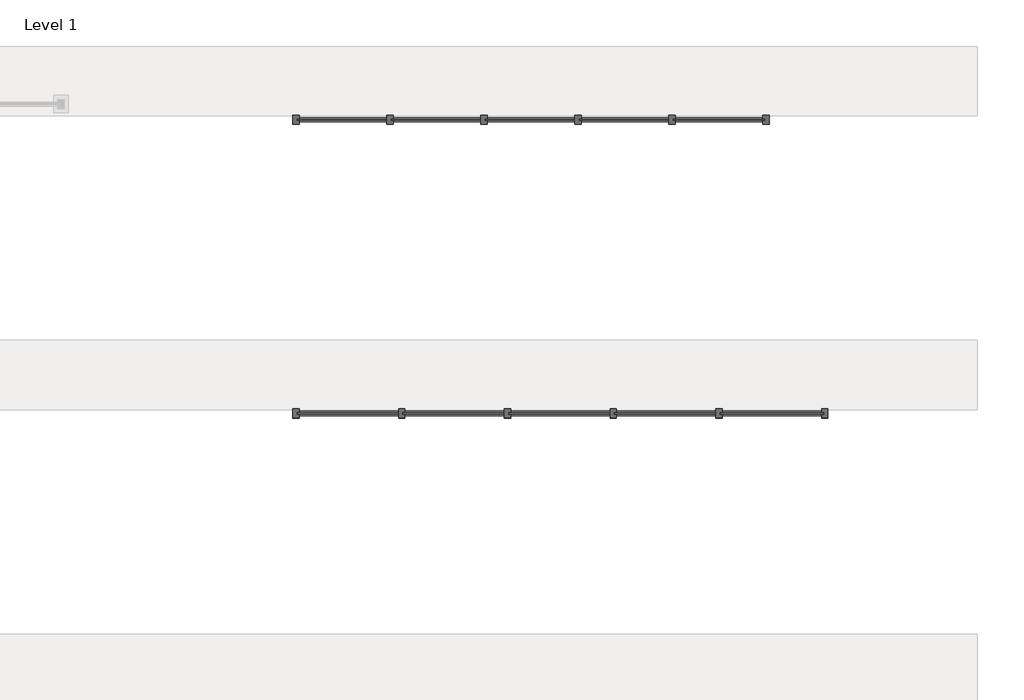
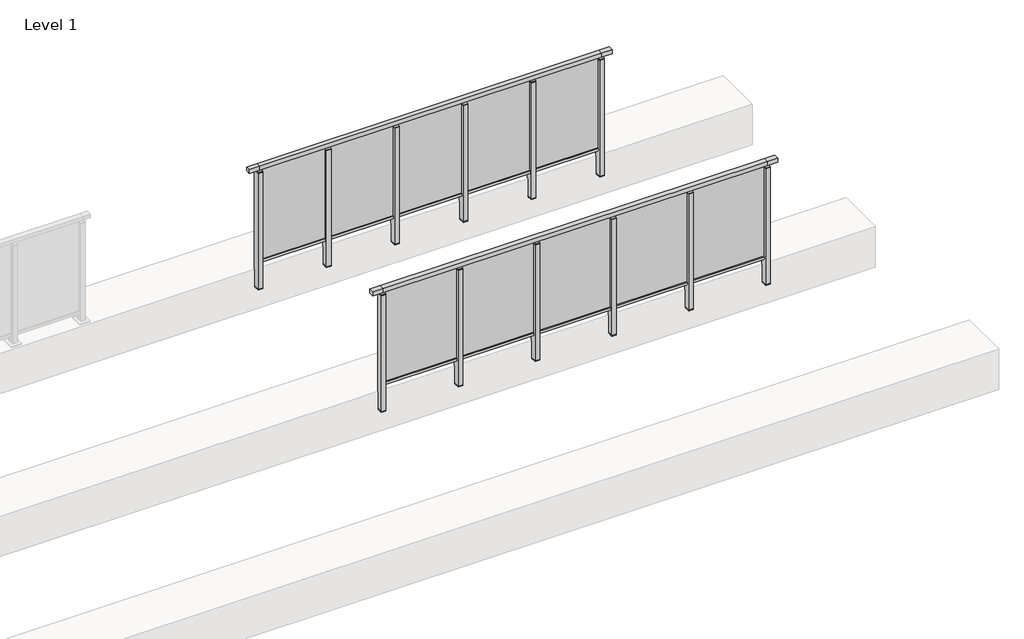
# One storey, part 38 of 38: 2 railings.
"""IFC4 building model written with IfcOpenShell, lengths in millimetres."""

from ifc_helpers import new_model, si_unit, frame, origin, place, context, project, spatial, polyline, outline, extrude, faceted_brep, element, save

model = new_model("IFC4")

# Units and contexts
model_context = context("Model", 3, world=origin())
ifc_project = project(units=[si_unit("LENGTHUNIT", "METRE", prefix="MILLI")], contexts=[model_context])

# Site, building, storey
site = spatial("IfcSite", under=ifc_project)
building = spatial("IfcBuilding", under=site)
storey = spatial("IfcBuildingStorey", under=building, Name="Level 1", Elevation=0.0)

# Railings
placement = place(None, origin())
element("IfcRailing", 1, at=placement, inside=storey, context=model_context, shape_type="SolidModel", body=[
    faceted_brep([(41476.1884576, 64897.6846828, 1252.5), (41476.1884576, 64897.6846828, 1300.0), (45976.1884576, 64897.6846828, 1300.0), (45976.1884576, 64897.6846828, 1252.5), (41476.1884576, 64837.6846828, 1252.5), (45976.1884576, 64837.6846828, 1252.5), (41476.1884576, 64837.6846828, 1300.0), (45976.1884576, 64837.6846828, 1300.0), (41353.1884576, 64897.6846828, 1300.0), (41353.1884576, 64897.6846828, 1252.5), (41353.1884576, 64837.6846828, 1252.5), (41353.1884576, 64837.6846828, 1300.0), (46099.1884576, 64897.6846828, 1300.0), (46099.1884576, 64837.6846828, 1300.0), (46099.1884576, 64837.6846828, 1252.5), (46099.1884576, 64897.6846828, 1252.5)], [[[0, 1, 2, 3]], [[4, 0, 3, 5]], [[6, 4, 5, 7]], [[1, 6, 7, 2]], [[8, 9, 10, 11]], [[9, 8, 1, 0]], [[10, 9, 0, 4]], [[11, 10, 4, 6]], [[8, 11, 6, 1]], [[12, 13, 14, 15]], [[3, 2, 12, 15]], [[5, 3, 15, 14]], [[7, 5, 14, 13]], [[2, 7, 13, 12]]]),
    extrude(outline(polyline([(41476.1884576, 64849.6846828), (41476.1884576, 64885.6846828), (45976.1884576, 64885.6846828), (45976.1884576, 64849.6846828), (41476.1884576, 64849.6846828)])), frame((0.0, 0.0, 93.0), z_axis=(0.0, 0.0, 1.0), x_axis=(1.0, 0.0, 0.0)), (0.0, 0.0, 1.0), 32.0),
    extrude(outline(polyline([(45086.1884576, 64861.9094929), (45086.1884576, 64871.9094929), (45966.1884576, 64871.9094929), (45966.1884576, 64861.9094929), (45086.1884576, 64861.9094929)])), frame((0.0, 0.0, 125.0), z_axis=(0.0, 0.0, 1.0), x_axis=(1.0, 0.0, 0.0)), (0.0, 0.0, 1.0), 1130.0),
    extrude(outline(polyline([(45103.1884576, 64906.6846828), (45103.1884576, 64828.6846828), (45049.1884576, 64828.6846828), (45049.1884576, 64906.6846828), (45103.1884576, 64906.6846828)])), frame((0.0, 0.0, 1227.0), z_axis=(0.0, 0.0, 1.0), x_axis=(1.0, 0.0, 0.0)), (0.0, 0.0, 1.0), 8.0),
    extrude(outline(polyline([(45086.1884576, 64877.6846828), (45086.1884576, 64857.6846828), (45066.1884576, 64857.6846828), (45066.1884576, 64877.6846828), (45086.1884576, 64877.6846828)])), frame((0.0, 0.0, 1235.0), z_axis=(0.0, 0.0, 1.0), x_axis=(1.0, 0.0, 0.0)), (0.0, 0.0, 1.0), 20.0),
    extrude(outline(polyline([(45103.1884576, 64906.6846828), (45103.1884576, 64828.6846828), (45049.1884576, 64828.6846828), (45049.1884576, 64906.6846828), (45103.1884576, 64906.6846828)])), frame((0.0, 0.0, -220.0), z_axis=(0.0, 0.0, 1.0), x_axis=(1.0, 0.0, 0.0)), (0.0, 0.0, 1.0), 8.0),
    extrude(outline(polyline([(45103.1884576, 64906.6846828), (45103.1884576, 64828.6846828), (45049.1884576, 64828.6846828), (45049.1884576, 64906.6846828), (45103.1884576, 64906.6846828)])), frame((0.0, 0.0, -212.0), z_axis=(0.0, 0.0, 1.0), x_axis=(1.0, 0.0, 0.0)), (0.0, 0.0, 1.0), 1439.0),
    extrude(outline(polyline([(44186.1884576, 64861.9094929), (44186.1884576, 64871.9094929), (45066.1884576, 64871.9094929), (45066.1884576, 64861.9094929), (44186.1884576, 64861.9094929)])), frame((0.0, 0.0, 125.0), z_axis=(0.0, 0.0, 1.0), x_axis=(1.0, 0.0, 0.0)), (0.0, 0.0, 1.0), 1130.0),
    extrude(outline(polyline([(44203.1884576, 64906.6846828), (44203.1884576, 64828.6846828), (44149.1884576, 64828.6846828), (44149.1884576, 64906.6846828), (44203.1884576, 64906.6846828)])), frame((0.0, 0.0, 1227.0), z_axis=(0.0, 0.0, 1.0), x_axis=(1.0, 0.0, 0.0)), (0.0, 0.0, 1.0), 8.0),
    extrude(outline(polyline([(44186.1884576, 64877.6846828), (44186.1884576, 64857.6846828), (44166.1884576, 64857.6846828), (44166.1884576, 64877.6846828), (44186.1884576, 64877.6846828)])), frame((0.0, 0.0, 1235.0), z_axis=(0.0, 0.0, 1.0), x_axis=(1.0, 0.0, 0.0)), (0.0, 0.0, 1.0), 20.0),
    extrude(outline(polyline([(44203.1884576, 64906.6846828), (44203.1884576, 64828.6846828), (44149.1884576, 64828.6846828), (44149.1884576, 64906.6846828), (44203.1884576, 64906.6846828)])), frame((0.0, 0.0, -220.0), z_axis=(0.0, 0.0, 1.0), x_axis=(1.0, 0.0, 0.0)), (0.0, 0.0, 1.0), 8.0),
    extrude(outline(polyline([(44203.1884576, 64906.6846828), (44203.1884576, 64828.6846828), (44149.1884576, 64828.6846828), (44149.1884576, 64906.6846828), (44203.1884576, 64906.6846828)])), frame((0.0, 0.0, -212.0), z_axis=(0.0, 0.0, 1.0), x_axis=(1.0, 0.0, 0.0)), (0.0, 0.0, 1.0), 1439.0),
    extrude(outline(polyline([(43286.1884576, 64861.9094929), (43286.1884576, 64871.9094929), (44166.1884576, 64871.9094929), (44166.1884576, 64861.9094929), (43286.1884576, 64861.9094929)])), frame((0.0, 0.0, 125.0), z_axis=(0.0, 0.0, 1.0), x_axis=(1.0, 0.0, 0.0)), (0.0, 0.0, 1.0), 1130.0),
    extrude(outline(polyline([(43303.1884576, 64906.6846828), (43303.1884576, 64828.6846828), (43249.1884576, 64828.6846828), (43249.1884576, 64906.6846828), (43303.1884576, 64906.6846828)])), frame((0.0, 0.0, 1227.0), z_axis=(0.0, 0.0, 1.0), x_axis=(1.0, 0.0, 0.0)), (0.0, 0.0, 1.0), 8.0),
    extrude(outline(polyline([(43286.1884576, 64877.6846828), (43286.1884576, 64857.6846828), (43266.1884576, 64857.6846828), (43266.1884576, 64877.6846828), (43286.1884576, 64877.6846828)])), frame((0.0, 0.0, 1235.0), z_axis=(0.0, 0.0, 1.0), x_axis=(1.0, 0.0, 0.0)), (0.0, 0.0, 1.0), 20.0),
    extrude(outline(polyline([(43303.1884576, 64906.6846828), (43303.1884576, 64828.6846828), (43249.1884576, 64828.6846828), (43249.1884576, 64906.6846828), (43303.1884576, 64906.6846828)])), frame((0.0, 0.0, -220.0), z_axis=(0.0, 0.0, 1.0), x_axis=(1.0, 0.0, 0.0)), (0.0, 0.0, 1.0), 8.0),
    extrude(outline(polyline([(43303.1884576, 64906.6846828), (43303.1884576, 64828.6846828), (43249.1884576, 64828.6846828), (43249.1884576, 64906.6846828), (43303.1884576, 64906.6846828)])), frame((0.0, 0.0, -212.0), z_axis=(0.0, 0.0, 1.0), x_axis=(1.0, 0.0, 0.0)), (0.0, 0.0, 1.0), 1439.0),
    extrude(outline(polyline([(42386.1884576, 64861.9094929), (42386.1884576, 64871.9094929), (43266.1884576, 64871.9094929), (43266.1884576, 64861.9094929), (42386.1884576, 64861.9094929)])), frame((0.0, 0.0, 125.0), z_axis=(0.0, 0.0, 1.0), x_axis=(1.0, 0.0, 0.0)), (0.0, 0.0, 1.0), 1130.0),
    extrude(outline(polyline([(42403.1884576, 64906.6846828), (42403.1884576, 64828.6846828), (42349.1884576, 64828.6846828), (42349.1884576, 64906.6846828), (42403.1884576, 64906.6846828)])), frame((0.0, 0.0, 1227.0), z_axis=(0.0, 0.0, 1.0), x_axis=(1.0, 0.0, 0.0)), (0.0, 0.0, 1.0), 8.0),
    extrude(outline(polyline([(42386.1884576, 64877.6846828), (42386.1884576, 64857.6846828), (42366.1884576, 64857.6846828), (42366.1884576, 64877.6846828), (42386.1884576, 64877.6846828)])), frame((0.0, 0.0, 1235.0), z_axis=(0.0, 0.0, 1.0), x_axis=(1.0, 0.0, 0.0)), (0.0, 0.0, 1.0), 20.0),
    extrude(outline(polyline([(42403.1884576, 64906.6846828), (42403.1884576, 64828.6846828), (42349.1884576, 64828.6846828), (42349.1884576, 64906.6846828), (42403.1884576, 64906.6846828)])), frame((0.0, 0.0, -220.0), z_axis=(0.0, 0.0, 1.0), x_axis=(1.0, 0.0, 0.0)), (0.0, 0.0, 1.0), 8.0),
    extrude(outline(polyline([(42403.1884576, 64906.6846828), (42403.1884576, 64828.6846828), (42349.1884576, 64828.6846828), (42349.1884576, 64906.6846828), (42403.1884576, 64906.6846828)])), frame((0.0, 0.0, -212.0), z_axis=(0.0, 0.0, 1.0), x_axis=(1.0, 0.0, 0.0)), (0.0, 0.0, 1.0), 1439.0),
    extrude(outline(polyline([(41486.1884576, 64861.9094929), (41486.1884576, 64871.9094929), (42366.1884576, 64871.9094929), (42366.1884576, 64861.9094929), (41486.1884576, 64861.9094929)])), frame((0.0, 0.0, 125.0), z_axis=(0.0, 0.0, 1.0), x_axis=(1.0, 0.0, 0.0)), (0.0, 0.0, 1.0), 1130.0),
    extrude(outline(polyline([(46003.1884576, 64906.6846828), (46003.1884576, 64828.6846828), (45949.1884576, 64828.6846828), (45949.1884576, 64906.6846828), (46003.1884576, 64906.6846828)])), frame((0.0, 0.0, 1227.0), z_axis=(0.0, 0.0, 1.0), x_axis=(1.0, 0.0, 0.0)), (0.0, 0.0, 1.0), 8.0),
    extrude(outline(polyline([(45986.1884576, 64877.6846828), (45986.1884576, 64857.6846828), (45966.1884576, 64857.6846828), (45966.1884576, 64877.6846828), (45986.1884576, 64877.6846828)])), frame((0.0, 0.0, 1235.0), z_axis=(0.0, 0.0, 1.0), x_axis=(1.0, 0.0, 0.0)), (0.0, 0.0, 1.0), 20.0),
    extrude(outline(polyline([(46003.1884576, 64906.6846828), (46003.1884576, 64828.6846828), (45949.1884576, 64828.6846828), (45949.1884576, 64906.6846828), (46003.1884576, 64906.6846828)])), frame((0.0, 0.0, -220.0), z_axis=(0.0, 0.0, 1.0), x_axis=(1.0, 0.0, 0.0)), (0.0, 0.0, 1.0), 8.0),
    extrude(outline(polyline([(46003.1884576, 64906.6846828), (46003.1884576, 64828.6846828), (45949.1884576, 64828.6846828), (45949.1884576, 64906.6846828), (46003.1884576, 64906.6846828)])), frame((0.0, 0.0, -212.0), z_axis=(0.0, 0.0, 1.0), x_axis=(1.0, 0.0, 0.0)), (0.0, 0.0, 1.0), 1439.0),
    extrude(outline(polyline([(41503.1884576, 64906.6846828), (41503.1884576, 64828.6846828), (41449.1884576, 64828.6846828), (41449.1884576, 64906.6846828), (41503.1884576, 64906.6846828)])), frame((0.0, 0.0, 1227.0), z_axis=(0.0, 0.0, 1.0), x_axis=(1.0, 0.0, 0.0)), (0.0, 0.0, 1.0), 8.0),
    extrude(outline(polyline([(41486.1884576, 64877.6846828), (41486.1884576, 64857.6846828), (41466.1884576, 64857.6846828), (41466.1884576, 64877.6846828), (41486.1884576, 64877.6846828)])), frame((0.0, 0.0, 1235.0), z_axis=(0.0, 0.0, 1.0), x_axis=(1.0, 0.0, 0.0)), (0.0, 0.0, 1.0), 20.0),
    extrude(outline(polyline([(41503.1884576, 64906.6846828), (41503.1884576, 64828.6846828), (41449.1884576, 64828.6846828), (41449.1884576, 64906.6846828), (41503.1884576, 64906.6846828)])), frame((0.0, 0.0, -220.0), z_axis=(0.0, 0.0, 1.0), x_axis=(1.0, 0.0, 0.0)), (0.0, 0.0, 1.0), 8.0),
    extrude(outline(polyline([(41503.1884576, 64906.6846828), (41503.1884576, 64828.6846828), (41449.1884576, 64828.6846828), (41449.1884576, 64906.6846828), (41503.1884576, 64906.6846828)])), frame((0.0, 0.0, -212.0), z_axis=(0.0, 0.0, 1.0), x_axis=(1.0, 0.0, 0.0)), (0.0, 0.0, 1.0), 1439.0),
])
element("IfcRailing", 2, at=placement, inside=storey, context=model_context, shape_type="SolidModel", body=[
    faceted_brep([(41476.1884576, 67397.6846828, 1252.5), (41476.1884576, 67397.6846828, 1300.0), (45476.1884576, 67397.6846828, 1300.0), (45476.1884576, 67397.6846828, 1252.5), (41476.1884576, 67337.6846828, 1252.5), (45476.1884576, 67337.6846828, 1252.5), (41476.1884576, 67337.6846828, 1300.0), (45476.1884576, 67337.6846828, 1300.0), (41353.1884576, 67397.6846828, 1300.0), (41353.1884576, 67397.6846828, 1252.5), (41353.1884576, 67337.6846828, 1252.5), (41353.1884576, 67337.6846828, 1300.0), (45599.1884576, 67397.6846828, 1300.0), (45599.1884576, 67337.6846828, 1300.0), (45599.1884576, 67337.6846828, 1252.5), (45599.1884576, 67397.6846828, 1252.5)], [[[0, 1, 2, 3]], [[4, 0, 3, 5]], [[6, 4, 5, 7]], [[1, 6, 7, 2]], [[8, 9, 10, 11]], [[9, 8, 1, 0]], [[10, 9, 0, 4]], [[11, 10, 4, 6]], [[8, 11, 6, 1]], [[12, 13, 14, 15]], [[3, 2, 12, 15]], [[5, 3, 15, 14]], [[7, 5, 14, 13]], [[2, 7, 13, 12]]]),
    extrude(outline(polyline([(41476.1884576, 67349.6846828), (41476.1884576, 67385.6846828), (45476.1884576, 67385.6846828), (45476.1884576, 67349.6846828), (41476.1884576, 67349.6846828)])), frame((0.0, 0.0, 93.0), z_axis=(0.0, 0.0, 1.0), x_axis=(1.0, 0.0, 0.0)), (0.0, 0.0, 1.0), 32.0),
    extrude(outline(polyline([(44686.1884576, 67361.9094929), (44686.1884576, 67371.9094929), (45466.1884576, 67371.9094929), (45466.1884576, 67361.9094929), (44686.1884576, 67361.9094929)])), frame((0.0, 0.0, 125.0), z_axis=(0.0, 0.0, 1.0), x_axis=(1.0, 0.0, 0.0)), (0.0, 0.0, 1.0), 1130.0),
    extrude(outline(polyline([(44703.1884576, 67406.6846828), (44703.1884576, 67328.6846828), (44649.1884576, 67328.6846828), (44649.1884576, 67406.6846828), (44703.1884576, 67406.6846828)])), frame((0.0, 0.0, 1227.0), z_axis=(0.0, 0.0, 1.0), x_axis=(1.0, 0.0, 0.0)), (0.0, 0.0, 1.0), 8.0),
    extrude(outline(polyline([(44686.1884576, 67377.6846828), (44686.1884576, 67357.6846828), (44666.1884576, 67357.6846828), (44666.1884576, 67377.6846828), (44686.1884576, 67377.6846828)])), frame((0.0, 0.0, 1235.0), z_axis=(0.0, 0.0, 1.0), x_axis=(1.0, 0.0, 0.0)), (0.0, 0.0, 1.0), 20.0),
    extrude(outline(polyline([(44703.1884576, 67406.6846828), (44703.1884576, 67328.6846828), (44649.1884576, 67328.6846828), (44649.1884576, 67406.6846828), (44703.1884576, 67406.6846828)])), frame((0.0, 0.0, -220.0), z_axis=(0.0, 0.0, 1.0), x_axis=(1.0, 0.0, 0.0)), (0.0, 0.0, 1.0), 8.0),
    extrude(outline(polyline([(44703.1884576, 67406.6846828), (44703.1884576, 67328.6846828), (44649.1884576, 67328.6846828), (44649.1884576, 67406.6846828), (44703.1884576, 67406.6846828)])), frame((0.0, 0.0, -212.0), z_axis=(0.0, 0.0, 1.0), x_axis=(1.0, 0.0, 0.0)), (0.0, 0.0, 1.0), 1439.0),
    extrude(outline(polyline([(43886.1884576, 67361.9094929), (43886.1884576, 67371.9094929), (44666.1884576, 67371.9094929), (44666.1884576, 67361.9094929), (43886.1884576, 67361.9094929)])), frame((0.0, 0.0, 125.0), z_axis=(0.0, 0.0, 1.0), x_axis=(1.0, 0.0, 0.0)), (0.0, 0.0, 1.0), 1130.0),
    extrude(outline(polyline([(43903.1884576, 67406.6846828), (43903.1884576, 67328.6846828), (43849.1884576, 67328.6846828), (43849.1884576, 67406.6846828), (43903.1884576, 67406.6846828)])), frame((0.0, 0.0, 1227.0), z_axis=(0.0, 0.0, 1.0), x_axis=(1.0, 0.0, 0.0)), (0.0, 0.0, 1.0), 8.0),
    extrude(outline(polyline([(43886.1884576, 67377.6846828), (43886.1884576, 67357.6846828), (43866.1884576, 67357.6846828), (43866.1884576, 67377.6846828), (43886.1884576, 67377.6846828)])), frame((0.0, 0.0, 1235.0), z_axis=(0.0, 0.0, 1.0), x_axis=(1.0, 0.0, 0.0)), (0.0, 0.0, 1.0), 20.0),
    extrude(outline(polyline([(43903.1884576, 67406.6846828), (43903.1884576, 67328.6846828), (43849.1884576, 67328.6846828), (43849.1884576, 67406.6846828), (43903.1884576, 67406.6846828)])), frame((0.0, 0.0, -220.0), z_axis=(0.0, 0.0, 1.0), x_axis=(1.0, 0.0, 0.0)), (0.0, 0.0, 1.0), 8.0),
    extrude(outline(polyline([(43903.1884576, 67406.6846828), (43903.1884576, 67328.6846828), (43849.1884576, 67328.6846828), (43849.1884576, 67406.6846828), (43903.1884576, 67406.6846828)])), frame((0.0, 0.0, -212.0), z_axis=(0.0, 0.0, 1.0), x_axis=(1.0, 0.0, 0.0)), (0.0, 0.0, 1.0), 1439.0),
    extrude(outline(polyline([(43086.1884576, 67361.9094929), (43086.1884576, 67371.9094929), (43866.1884576, 67371.9094929), (43866.1884576, 67361.9094929), (43086.1884576, 67361.9094929)])), frame((0.0, 0.0, 125.0), z_axis=(0.0, 0.0, 1.0), x_axis=(1.0, 0.0, 0.0)), (0.0, 0.0, 1.0), 1130.0),
    extrude(outline(polyline([(43103.1884576, 67406.6846828), (43103.1884576, 67328.6846828), (43049.1884576, 67328.6846828), (43049.1884576, 67406.6846828), (43103.1884576, 67406.6846828)])), frame((0.0, 0.0, 1227.0), z_axis=(0.0, 0.0, 1.0), x_axis=(1.0, 0.0, 0.0)), (0.0, 0.0, 1.0), 8.0),
    extrude(outline(polyline([(43086.1884576, 67377.6846828), (43086.1884576, 67357.6846828), (43066.1884576, 67357.6846828), (43066.1884576, 67377.6846828), (43086.1884576, 67377.6846828)])), frame((0.0, 0.0, 1235.0), z_axis=(0.0, 0.0, 1.0), x_axis=(1.0, 0.0, 0.0)), (0.0, 0.0, 1.0), 20.0),
    extrude(outline(polyline([(43103.1884576, 67406.6846828), (43103.1884576, 67328.6846828), (43049.1884576, 67328.6846828), (43049.1884576, 67406.6846828), (43103.1884576, 67406.6846828)])), frame((0.0, 0.0, -220.0), z_axis=(0.0, 0.0, 1.0), x_axis=(1.0, 0.0, 0.0)), (0.0, 0.0, 1.0), 8.0),
    extrude(outline(polyline([(43103.1884576, 67406.6846828), (43103.1884576, 67328.6846828), (43049.1884576, 67328.6846828), (43049.1884576, 67406.6846828), (43103.1884576, 67406.6846828)])), frame((0.0, 0.0, -212.0), z_axis=(0.0, 0.0, 1.0), x_axis=(1.0, 0.0, 0.0)), (0.0, 0.0, 1.0), 1439.0),
    extrude(outline(polyline([(42286.1884576, 67361.9094929), (42286.1884576, 67371.9094929), (43066.1884576, 67371.9094929), (43066.1884576, 67361.9094929), (42286.1884576, 67361.9094929)])), frame((0.0, 0.0, 125.0), z_axis=(0.0, 0.0, 1.0), x_axis=(1.0, 0.0, 0.0)), (0.0, 0.0, 1.0), 1130.0),
    extrude(outline(polyline([(42303.1884576, 67406.6846828), (42303.1884576, 67328.6846828), (42249.1884576, 67328.6846828), (42249.1884576, 67406.6846828), (42303.1884576, 67406.6846828)])), frame((0.0, 0.0, 1227.0), z_axis=(0.0, 0.0, 1.0), x_axis=(1.0, 0.0, 0.0)), (0.0, 0.0, 1.0), 8.0),
    extrude(outline(polyline([(42286.1884576, 67377.6846828), (42286.1884576, 67357.6846828), (42266.1884576, 67357.6846828), (42266.1884576, 67377.6846828), (42286.1884576, 67377.6846828)])), frame((0.0, 0.0, 1235.0), z_axis=(0.0, 0.0, 1.0), x_axis=(1.0, 0.0, 0.0)), (0.0, 0.0, 1.0), 20.0),
    extrude(outline(polyline([(42303.1884576, 67406.6846828), (42303.1884576, 67328.6846828), (42249.1884576, 67328.6846828), (42249.1884576, 67406.6846828), (42303.1884576, 67406.6846828)])), frame((0.0, 0.0, -220.0), z_axis=(0.0, 0.0, 1.0), x_axis=(1.0, 0.0, 0.0)), (0.0, 0.0, 1.0), 8.0),
    extrude(outline(polyline([(42303.1884576, 67406.6846828), (42303.1884576, 67328.6846828), (42249.1884576, 67328.6846828), (42249.1884576, 67406.6846828), (42303.1884576, 67406.6846828)])), frame((0.0, 0.0, -212.0), z_axis=(0.0, 0.0, 1.0), x_axis=(1.0, 0.0, 0.0)), (0.0, 0.0, 1.0), 1439.0),
    extrude(outline(polyline([(41486.1884576, 67361.9094929), (41486.1884576, 67371.9094929), (42266.1884576, 67371.9094929), (42266.1884576, 67361.9094929), (41486.1884576, 67361.9094929)])), frame((0.0, 0.0, 125.0), z_axis=(0.0, 0.0, 1.0), x_axis=(1.0, 0.0, 0.0)), (0.0, 0.0, 1.0), 1130.0),
    extrude(outline(polyline([(45503.1884576, 67406.6846828), (45503.1884576, 67328.6846828), (45449.1884576, 67328.6846828), (45449.1884576, 67406.6846828), (45503.1884576, 67406.6846828)])), frame((0.0, 0.0, 1227.0), z_axis=(0.0, 0.0, 1.0), x_axis=(1.0, 0.0, 0.0)), (0.0, 0.0, 1.0), 8.0),
    extrude(outline(polyline([(45486.1884576, 67377.6846828), (45486.1884576, 67357.6846828), (45466.1884576, 67357.6846828), (45466.1884576, 67377.6846828), (45486.1884576, 67377.6846828)])), frame((0.0, 0.0, 1235.0), z_axis=(0.0, 0.0, 1.0), x_axis=(1.0, 0.0, 0.0)), (0.0, 0.0, 1.0), 20.0),
    extrude(outline(polyline([(45503.1884576, 67406.6846828), (45503.1884576, 67328.6846828), (45449.1884576, 67328.6846828), (45449.1884576, 67406.6846828), (45503.1884576, 67406.6846828)])), frame((0.0, 0.0, -220.0), z_axis=(0.0, 0.0, 1.0), x_axis=(1.0, 0.0, 0.0)), (0.0, 0.0, 1.0), 8.0),
    extrude(outline(polyline([(45503.1884576, 67406.6846828), (45503.1884576, 67328.6846828), (45449.1884576, 67328.6846828), (45449.1884576, 67406.6846828), (45503.1884576, 67406.6846828)])), frame((0.0, 0.0, -212.0), z_axis=(0.0, 0.0, 1.0), x_axis=(1.0, 0.0, 0.0)), (0.0, 0.0, 1.0), 1439.0),
    extrude(outline(polyline([(41503.1884576, 67406.6846828), (41503.1884576, 67328.6846828), (41449.1884576, 67328.6846828), (41449.1884576, 67406.6846828), (41503.1884576, 67406.6846828)])), frame((0.0, 0.0, 1227.0), z_axis=(0.0, 0.0, 1.0), x_axis=(1.0, 0.0, 0.0)), (0.0, 0.0, 1.0), 8.0),
    extrude(outline(polyline([(41486.1884576, 67377.6846828), (41486.1884576, 67357.6846828), (41466.1884576, 67357.6846828), (41466.1884576, 67377.6846828), (41486.1884576, 67377.6846828)])), frame((0.0, 0.0, 1235.0), z_axis=(0.0, 0.0, 1.0), x_axis=(1.0, 0.0, 0.0)), (0.0, 0.0, 1.0), 20.0),
    extrude(outline(polyline([(41503.1884576, 67406.6846828), (41503.1884576, 67328.6846828), (41449.1884576, 67328.6846828), (41449.1884576, 67406.6846828), (41503.1884576, 67406.6846828)])), frame((0.0, 0.0, -220.0), z_axis=(0.0, 0.0, 1.0), x_axis=(1.0, 0.0, 0.0)), (0.0, 0.0, 1.0), 8.0),
    extrude(outline(polyline([(41503.1884576, 67406.6846828), (41503.1884576, 67328.6846828), (41449.1884576, 67328.6846828), (41449.1884576, 67406.6846828), (41503.1884576, 67406.6846828)])), frame((0.0, 0.0, -212.0), z_axis=(0.0, 0.0, 1.0), x_axis=(1.0, 0.0, 0.0)), (0.0, 0.0, 1.0), 1439.0),
])

save(model, "model.ifc")
